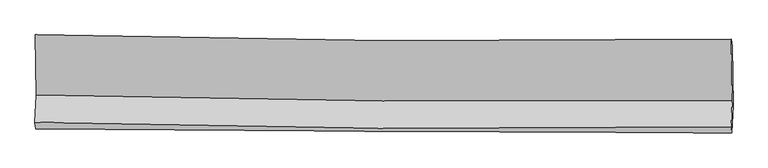
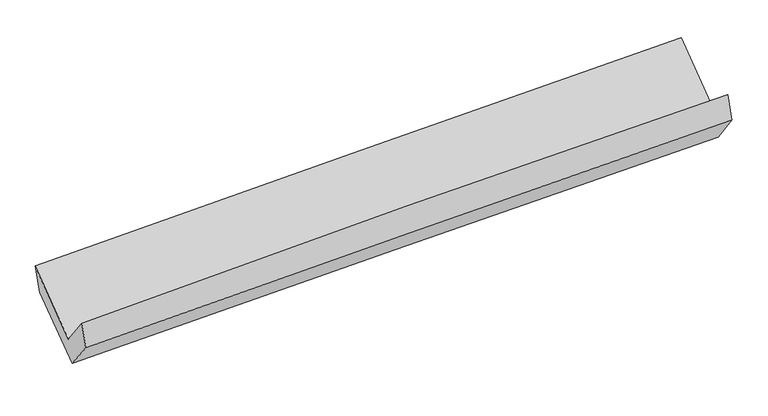
"""IFC4 building model written with IfcOpenShell, lengths in millimetres: proxy geometry."""

from ifc_helpers import new_model, si_unit, frame, origin, place, context, project, spatial, source, transform, mapped, element, save
from ifc_brep_helpers import plane_surface, spline_curve, spline_surface, advanced_brep


def generic_models_fcb2b411(model_context):
    return source(origin(), model_context, "Body", "AdvancedBrep", [
        advanced_brep(
        [(-3034.5793731, -1167.604922, 2154.792557), (-3025.6143092, -1692.2636532, 1741.3566765), (3018.0053819, -1738.4257054, 1909.8961559), (3009.6925814, -1204.1955056, 2330.7195786), (-3036.6537123, -1929.3390264, 2048.7041128), (3006.6813023, -1969.1949561, 2228.4693217), (-3030.5584006, -1986.0702366, 1836.1410619), (3012.8952062, -2023.3936409, 2005.6087252), (-3019.6854223, -1745.6700872, 1535.0030704), (3024.3264984, -1781.5206596, 1686.3892784), (-3028.0626687, -1228.4091109, 1927.4997083), (3016.7291745, -1264.8789325, 2078.5369497)],
        [
            (0, 1),
            (1, 2, spline_curve(3, [(-3025.6143092, -1692.2636532, 1741.3566765), (-2018.98158055, -1719.636973889, 1792.287805612), (-1011.949302943, -1737.16950979, 1831.798748548), (1002.590850343, -1752.550541699, 1887.971241979), (2010.098470093, -1750.405356405, 1904.64012547), (3018.0053819, -1738.4257054, 1909.8961559)], [4, 2, 4], [0.0, 9.92174600629822, 19.840306023340794])),
            (2, 3),
            (3, 0, spline_curve(3, [(3009.6925814, -1204.1955056, 2330.7195786), (2001.727936962, -1219.77913647, 2322.590374089), (994.137108079, -1224.523966987, 2303.869242082), (-1020.62044999, -1212.334069739, 2245.233706927), (-2027.786939727, -1195.392378352, 2205.312498531), (-3034.5793731, -1167.604922, 2154.792557)], [4, 2, 4], [0.0, 9.918560017042575, 19.840306023340794])),
            (1, 4),
            (4, 5, spline_curve(3, [(-3036.6537123, -1929.3390264, 2048.7041128), (-2030.358665411, -1957.44836077, 2110.617357306), (-1023.518932718, -1974.823165493, 2156.554254401), (990.926422141, -1988.101582437, 2216.465731715), (1998.531693926, -1984.012087656, 2230.45057132), (3006.6813023, -1969.1949561, 2228.4693217)], [4, 2, 4], [0.0, 9.921496329034612, 19.839806748987886])),
            (5, 2),
            (4, 6),
            (6, 7, spline_curve(3, [(-3030.5584006, -1986.0702366, 1836.1410619), (-2023.408376322, -1994.33743853, 1873.316703417), (-1016.131337756, -2001.581658239, 1906.028380502), (998.353279674, -2014.022136049, 1962.514735426), (2005.560776602, -2019.219051183, 1986.292279174), (3012.8952062, -2023.3936409, 2005.6087252)], [4, 2, 4], [0.0, 9.920440335383555, 19.837695100777744])),
            (7, 5),
            (6, 8),
            (8, 9, spline_curve(3, [(-3019.6854223, -1745.6700872, 1535.0030704), (-2012.449430165, -1757.31509683, 1568.567452953), (-1005.082873362, -1766.125174102, 1597.966518335), (1009.587850994, -1778.073544409, 1648.425913211), (2016.891934321, -1781.213658261, 1669.488916871), (3024.3264984, -1781.5206596, 1686.3892784)], [4, 2, 4], [0.0, 9.91965494771265, 19.836124577633143])),
            (9, 7),
            (8, 10),
            (10, 11, spline_curve(3, [(-3028.0626687, -1228.4091109, 1927.4997083), (-2020.556322831, -1248.142346046, 1954.977018359), (-1012.989596256, -1261.04750743, 1981.303946872), (1001.941056749, -1273.199730146, 2031.648955043), (2009.304944818, -1272.451176051, 2055.667773955), (3016.7291745, -1264.8789325, 2078.5369497)], [4, 2, 4], [0.0, 9.920377586971657, 19.8375696241032])),
            (11, 9),
            (10, 0),
            (3, 11),
        ],
        [
            spline_surface(3, 3, [[(-3034.5793731, -1167.604922, 2154.792557), (-2027.78693965, -1195.392378244, 2205.312498593), (-1020.620450139, -1212.334069898, 2245.233707067), (994.137108228, -1224.523966828, 2303.869241942), (2001.727936861, -1219.779136341, 2322.590373993), (3009.6925814, -1204.1955056, 2330.7195786)], [(-3031.59101844, -1342.491165729, 2016.980596833), (-2024.851819896, -1370.14057684, 2067.637600936), (-1017.730067811, -1387.279216537, 2107.422054241), (996.955022298, -1400.532825088, 2165.236575268), (2004.518114643, -1396.654543073, 2183.273624462), (3012.463514918, -1382.272238874, 2190.44510436)], [(-3028.60266386, -1517.377409471, 1879.168636667), (-2021.916700221, -1544.88877545, 1929.962703278), (-1014.839685425, -1562.224363209, 1969.610401424), (999.772936427, -1576.54168338, 2026.603908603), (2007.308292373, -1573.529949784, 2043.956874951), (3015.234448382, -1560.348972126, 2050.17063014)], [(-3025.6143092, -1692.2636532, 1741.3566765), (-2018.981580467, -1719.636974047, 1792.28780562), (-1011.949303097, -1737.169509848, 1831.798748599), (1002.590850497, -1752.550541641, 1887.971241929), (2010.098470156, -1750.405356517, 1904.640125421), (3018.0053819, -1738.4257054, 1909.8961559)]], [4, 4], [4, 2, 4], [0.0, 2.19877558140429], [0.0, 9.92174600629822, 19.840306023340794]),
            spline_surface(3, 3, [[(-3025.6143092, -1692.2636532, 1741.3566765), (-2018.981580467, -1719.636974047, 1792.28780562), (-1011.949303097, -1737.169509848, 1831.798748599), (1002.590850497, -1752.550541641, 1887.971241929), (2010.098470156, -1750.405356517, 1904.640125421), (3018.0053819, -1738.4257054, 1909.8961559)], [(-3029.294110242, -1771.288777621, 1843.805821932), (-2022.773942142, -1798.907436338, 1898.397656225), (-1015.805846272, -1816.387395039, 1940.050583841), (998.702707663, -1831.067555244, 1997.469405241), (2006.242878097, -1828.274266928, 2013.243607366), (3014.230688685, -1815.348788948, 2016.087211145)], [(-3032.973911258, -1850.313901979, 1946.254967368), (-2026.566303792, -1878.177898564, 2004.507506833), (-1019.662389422, -1895.60528026, 2048.302419046), (994.814564854, -1909.584568876, 2106.967568515), (2002.387286083, -1906.143177395, 2121.847089376), (3010.455995515, -1892.271872552, 2122.278266455)], [(-3036.6537123, -1929.3390264, 2048.7041128), (-2030.358665467, -1957.448360855, 2110.617357438), (-1023.518932597, -1974.823165451, 2156.554254288), (990.92642202, -1988.101582479, 2216.465731827), (1998.531694024, -1984.012087806, 2230.450571321), (3006.6813023, -1969.1949561, 2228.4693217)]], [4, 4], [4, 2, 4], [0.0, 1.3237661782462464], [0.0, 9.921496329034612, 19.839806748987886]),
            spline_surface(3, 3, [[(-3036.6537123, -1929.3390264, 2048.7041128), (-2030.358665467, -1957.448360855, 2110.617357438), (-1023.518932597, -1974.823165451, 2156.554254288), (990.92642202, -1988.101582479, 2216.465731827), (1998.531694024, -1984.012087806, 2230.450571321), (3006.6813023, -1969.1949561, 2228.4693217)], [(-3034.621941749, -1948.249429786, 1977.849762501), (-2028.041902435, -1969.744720035, 2031.517139443), (-1021.056400921, -1983.742663052, 2073.045629707), (993.402041209, -1996.741767031, 2131.815399629), (2000.874721481, -1995.747742228, 2149.064473981), (3008.752603586, -1987.261184357, 2154.182456214)], [(-3032.590171151, -1967.159833214, 1906.995412199), (-2025.725139356, -1982.041079256, 1952.416921446), (-1018.593869295, -1992.662160601, 1989.537005201), (995.877660348, -2005.381951532, 2047.165067506), (2003.21774898, -2007.483396677, 2067.678376597), (3010.823904914, -2005.327412643, 2079.895590686)], [(-3030.5584006, -1986.0702366, 1836.1410619), (-2023.408376324, -1994.337438436, 1873.316703451), (-1016.131337619, -2001.581658203, 1906.028380619), (998.353279537, -2014.022136085, 1962.514735308), (2005.560776437, -2019.219051099, 1986.292279257), (3012.8952062, -2023.3936409, 2005.6087252)]], [4, 4], [4, 2, 4], [0.0, 0.8324066575249961], [0.0, 9.920440335383555, 19.837695100777744]),
            spline_surface(3, 3, [[(-3030.5584006, -1986.0702366, 1836.1410619), (-2023.408376324, -1994.337438436, 1873.316703451), (-1016.131337619, -2001.581658203, 1906.028380619), (998.353279537, -2014.022136085, 1962.514735308), (2005.560776437, -2019.219051099, 1986.292279257), (3012.8952062, -2023.3936409, 2005.6087252)], [(-3026.934074491, -1905.936853475, 1735.761731387), (-2019.755394246, -1915.329991261, 1771.733619901), (-1012.448516156, -1923.096163462, 1803.341093235), (1002.098136643, -1935.372605525, 1857.818461266), (2009.33782904, -1939.883920115, 1880.691158469), (3016.705636957, -1942.769313807, 1899.202242947)], [(-3023.309748409, -1825.803470325, 1635.382400913), (-2016.102412194, -1836.32254406, 1670.150536389), (-1008.765694689, -1844.610668784, 1700.6538058), (1005.842993753, -1856.723075027, 1753.122187174), (2013.114881572, -1860.548789109, 1775.09003764), (3020.516067643, -1862.144986693, 1792.795760653)], [(-3019.6854223, -1745.6700872, 1535.0030704), (-2012.449430117, -1757.315096885, 1568.567452839), (-1005.082873226, -1766.125174044, 1597.966518415), (1009.587850859, -1778.073544467, 1648.425913132), (2016.891934175, -1781.213658125, 1669.488916853), (3024.3264984, -1781.5206596, 1686.3892784)]], [4, 4], [4, 2, 4], [0.0, 1.2809864836484341], [0.0, 9.91965494771265, 19.836124577633143]),
            spline_surface(3, 3, [[(-3019.6854223, -1745.6700872, 1535.0030704), (-2012.449430117, -1757.315096885, 1568.567452839), (-1005.082873226, -1766.125174044, 1597.966518415), (1009.587850859, -1778.073544467, 1648.425913132), (2016.891934175, -1781.213658125, 1669.488916853), (3024.3264984, -1781.5206596, 1686.3892784)], [(-3022.477837747, -1573.249761759, 1665.835283049), (-2015.151727671, -1587.590846652, 1697.37064138), (-1007.718447598, -1597.765951838, 1725.745661181), (1007.038919515, -1609.782273042, 1776.166927137), (2014.3629377, -1611.626164147, 1798.215202556), (3021.794057105, -1609.30675058, 1817.105168817)], [(-3025.270253253, -1400.829436341, 1796.667495651), (-2017.854025284, -1417.866596442, 1826.173829873), (-1010.354021966, -1429.40672961, 1853.524803974), (1004.489988175, -1441.491001596, 1903.90794117), (2011.83394121, -1442.038670128, 1926.941488308), (3019.261615795, -1437.09284152, 1947.821059283)], [(-3028.0626687, -1228.4091109, 1927.4997083), (-2020.556322838, -1248.142346209, 1954.977018414), (-1012.989596339, -1261.047507404, 1981.30394674), (1001.941056832, -1273.199730172, 2031.648955175), (2009.304944735, -1272.45117615, 2055.667774011), (3016.7291745, -1264.8789325, 2078.5369497)]], [4, 4], [4, 2, 4], [0.0, 2.0800751677365805], [0.0, 9.920377586971657, 19.8375696241032]),
            spline_surface(3, 3, [[(-3028.0626687, -1228.4091109, 1927.4997083), (-2020.556322838, -1248.142346209, 1954.977018414), (-1012.989596339, -1261.047507404, 1981.30394674), (1001.941056832, -1273.199730172, 2031.648955175), (2009.304944735, -1272.45117615, 2055.667774011), (3016.7291745, -1264.8789325, 2078.5369497)], [(-3030.234903531, -1208.141047929, 2003.263991197), (-2022.966528473, -1230.55902355, 2038.422178471), (-1015.533214259, -1244.809694919, 2069.280533523), (999.339740644, -1256.97447574, 2122.389050772), (2006.779275426, -1254.893829547, 2144.641974022), (3014.383643449, -1244.651123533, 2162.597826017)], [(-3032.407138269, -1187.872984971, 2079.028274103), (-2025.376734016, -1212.975700902, 2121.867338536), (-1018.076832219, -1228.571882384, 2157.257120284), (996.738424416, -1240.749221259, 2213.129146346), (2004.25360617, -1237.336482944, 2233.616173982), (3012.038112451, -1224.423314567, 2246.658702283)], [(-3034.5793731, -1167.604922, 2154.792557), (-2027.78693965, -1195.392378244, 2205.312498593), (-1020.620450139, -1212.334069898, 2245.233707067), (994.137108228, -1224.523966828, 2303.869241942), (2001.727936861, -1219.779136341, 2322.590373993), (3009.6925814, -1204.1955056, 2330.7195786)]], [4, 4], [4, 2, 4], [0.0, 0.8942574575211218], [0.0, 9.92160538180701, 19.840024819514554]),
            plane_surface(frame((3014.7216908, -1663.6015667, 2039.9366683), z_axis=(0.9995246916638361, -0.007916800308902513, 0.029794546937026906), x_axis=(-0.011712386212225548, 0.7964788039607079, 0.6045530041696393))),
            plane_surface(frame((-3029.1923144, -1624.8928394, 1873.9161978), z_axis=(-0.9995097673679708, 0.006972743907105886, -0.030522217783622126), x_axis=(0.027686410581276338, -0.2583283838275524, -0.9656603485585239))),
        ],
        [
            (0, [[1, 2, 3, 4]]),
            (1, [[5, 6, 7, -2]]),
            (2, [[8, 9, 10, -6]]),
            (3, [[11, 12, 13, -9]]),
            (4, [[14, 15, 16, -12]]),
            (5, [[17, -4, 18, -15]]),
            (6, [[-16, -18, -3, -7, -10, -13]]),
            (7, [[-17, -14, -11, -8, -5, -1]]),
        ],
    ),
    ])


if __name__ == "__main__":
    model = new_model("IFC4")
    model_context = context("Model", 3, world=origin())
    ifc_project = project(units=[si_unit("LENGTHUNIT", "METRE", prefix="MILLI")], contexts=[model_context])
    site = spatial("IfcSite", under=ifc_project)
    building = spatial("IfcBuilding", under=site)
    placement = place(None, origin())
    generic_models_shape = generic_models_fcb2b411(model_context)
    element("IfcBuildingElementProxy", 1, Name="Generic Models", at=placement, inside=building, context=model_context, shape_type="MappedRepresentation", body=[
        mapped(generic_models_shape, transform((0.0, 0.0, 0.0), x_axis=(1.0, 0.0, 0.0), y_axis=(0.0, 1.0, 0.0), z_axis=(0.0, 0.0, 1.0))),
    ])
    save(model, "model.ifc")
